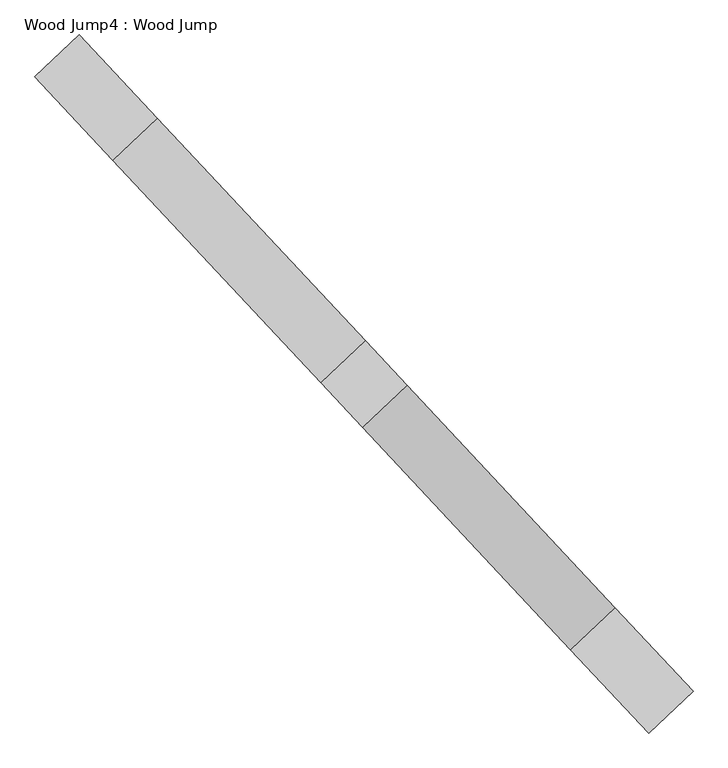
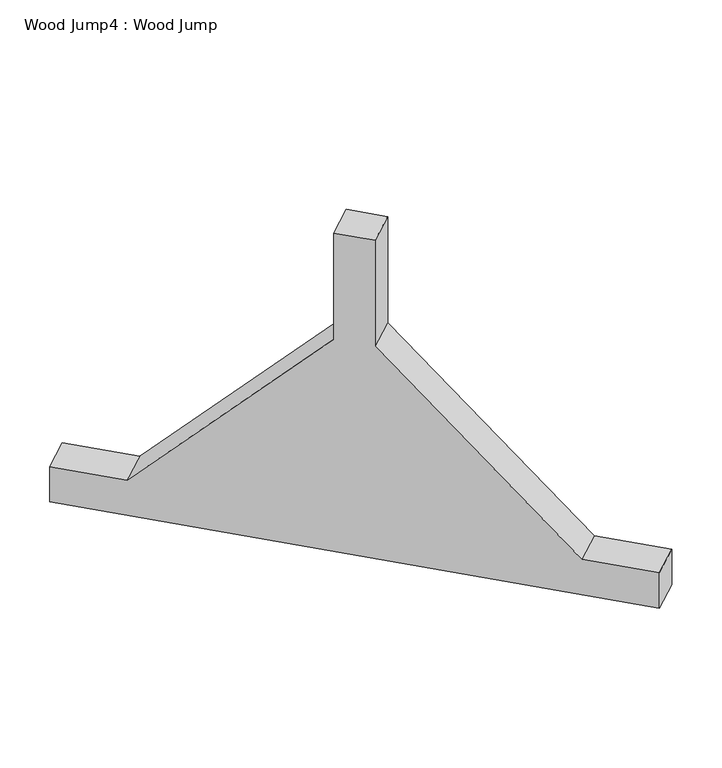
"""IFC4 building model written with IfcOpenShell, lengths in millimetres: proxy geometry, Wood Jump4 : Wood Jump."""

from ifc_helpers import new_model, si_unit, frame, origin, place, context, project, spatial, polyline, outline, extrude, source, transform, mapped, element, save


def wood_jump4_wood_jump_b47560fa(model_context):
    return source(origin(), model_context, "Body", "SweptSolid", [
        extrude(outline(polyline([(1498.5999999, 0.0), (1498.5999999, -101.6), (1308.0999999, -101.6), (800.1, -609.6), (800.1, -914.4), (698.5, -914.4), (698.5, -609.6), (190.4999999, -101.6), (0.0, -101.6), (0.0, 0.0), (1498.5999999, 0.0)])), frame((137884.4456432, 11320.2940727, 0.0), z_axis=(0.7302390942698622, 0.6831916753005203, 0.0), x_axis=(0.6831916753005203, -0.7302390942698622, 0.0)), (0.0, 0.0, 1.0), 101.6),
    ])


if __name__ == "__main__":
    model = new_model("IFC4")
    model_context = context("Model", 3, world=origin())
    ifc_project = project(units=[si_unit("LENGTHUNIT", "METRE", prefix="MILLI")], contexts=[model_context])
    site = spatial("IfcSite", under=ifc_project)
    building = spatial("IfcBuilding", under=site)
    placement = place(None, origin())
    wood_jump4_wood_jump_shape = wood_jump4_wood_jump_b47560fa(model_context)
    element("IfcBuildingElementProxy", 1, Name="Wood Jump4 : Wood Jump", ObjectType="Wood Jump4 : Wood Jump", at=placement, inside=building, context=model_context, shape_type="MappedRepresentation", body=[
        mapped(wood_jump4_wood_jump_shape, transform((0.0, 0.0, 0.0), x_axis=(1.0, 0.0, 0.0), y_axis=(0.0, 1.0, 0.0), z_axis=(0.0, 0.0, 1.0))),
    ])
    save(model, "model.ifc")
